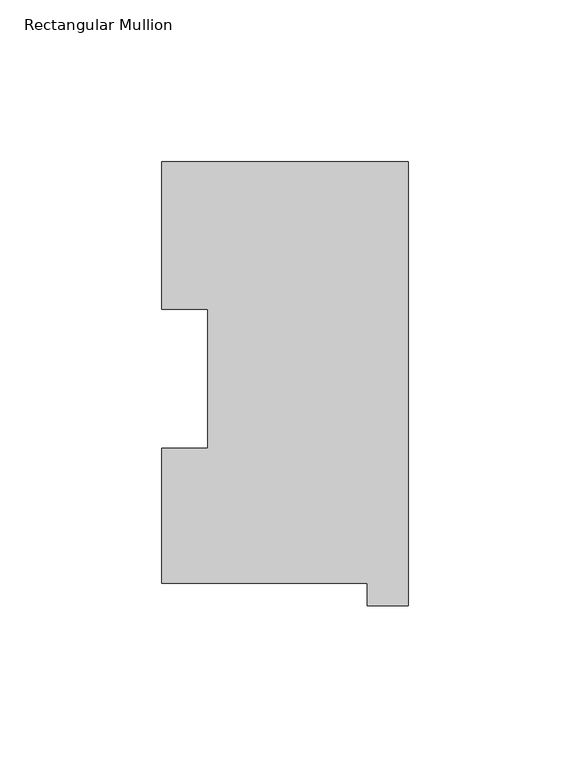
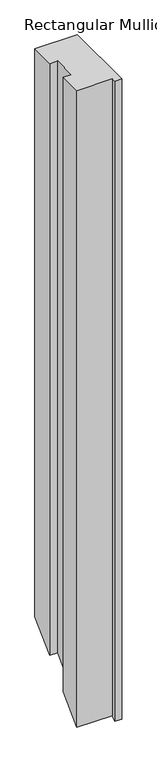
"""IFC4 building model written with IfcOpenShell, lengths in millimetres: member geometry, Rectangular Mullion."""

from ifc_helpers import new_model, si_unit, origin, place, context, project, spatial, faceted_brep, source, transform, mapped, element, save


def rectangular_mullion_c58b35d2(model_context):
    return source(origin(), model_context, "Body", "Brep", [
        faceted_brep([(-76.2, 130.56235, 0.0), (-76.2, 84.93125, 0.0), (-61.9101579, 84.93125, 0.0), (-61.9101579, 42.0485036, 0.0), (-76.2, 42.0485036, 0.0), (-76.2, 0.26035, 0.0), (-12.7, 0.26035, 0.0), (-12.7, -6.64845, 0.0), (0.0, -6.64845, 0.0), (0.0, 130.56235, 0.0), (-76.2, 130.56235, -1075.944), (-76.2, 84.93125, -1121.5751), (-61.9101579, 84.93125, -1121.5751), (-61.9101579, 42.0485036, -1164.4578464), (-76.2, 42.0485036, -1164.4578464), (-76.2, 0.26035, -1206.246), (-12.7, 0.26035, -1206.246), (-12.7, -6.64845, -1213.1548), (0.0, -6.64845, -1213.1548), (0.0, 130.56235, -1075.944)], [[[0, 1, 2, 3, 4, 5, 6, 7, 8, 9]], [[1, 0, 10, 11]], [[2, 1, 11, 12]], [[3, 2, 12, 13]], [[4, 3, 13, 14]], [[5, 4, 14, 15]], [[6, 5, 15, 16]], [[7, 6, 16, 17]], [[8, 7, 17, 18]], [[9, 8, 18, 19]], [[0, 9, 19, 10]], [[10, 19, 18, 17, 16, 15, 14, 13, 12, 11]]]),
    ])


if __name__ == "__main__":
    model = new_model("IFC4")
    model_context = context("Model", 3, world=origin())
    ifc_project = project(units=[si_unit("LENGTHUNIT", "METRE", prefix="MILLI")], contexts=[model_context])
    site = spatial("IfcSite", under=ifc_project)
    building = spatial("IfcBuilding", under=site)
    placement = place(None, origin())
    rectangular_mullion_shape = rectangular_mullion_c58b35d2(model_context)
    element("IfcMember", 1, ObjectType="Rectangular Mullion", at=placement, inside=building, context=model_context, shape_type="MappedRepresentation", body=[
        mapped(rectangular_mullion_shape, transform((0.0, 0.0, 0.0), x_axis=(1.0, 0.0, 0.0), y_axis=(0.0, 1.0, 0.0), z_axis=(0.0, 0.0, 1.0))),
    ])
    save(model, "model.ifc")
